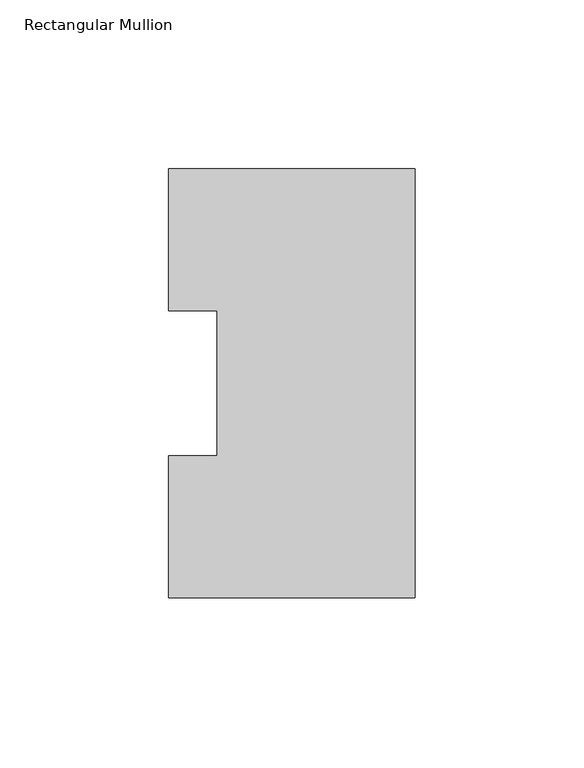
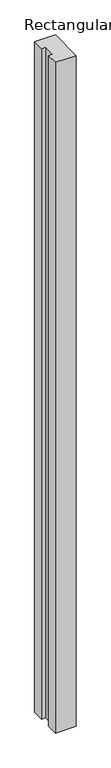
"""IFC4 building model written with IfcOpenShell, lengths in millimetres: member geometry, Rectangular Mullion."""

import ifcopenshell
import ifcopenshell.guid

model = None  # the IFC model being written
_history = None  # IfcOwnerHistory: only IFC2X3 demands one
_inside = {}  # id of a spatial element -> (the spatial element, [elements in it])
_under = {}  # id of a project, library or spatial element -> (it, [spatial elements below it])
_declared = {}  # id of a project -> (the project, [libraries it declares])
_typed = {}  # id of a type object -> (the type object, [elements of that type])
_made_of = {}  # id of a material, layer set ... -> (it, [elements and type objects made of it])


def new_model(schema):
    """Start an empty IFC model of exactly this schema.

    Asked for "IFC4X3", IfcOpenShell would pick the latest addendum, in which some entities
    have other attributes; the version numbers below select the first issue.
    IFC2X3 requires an IfcOwnerHistory on every rooted entity: one is made here for all.
    """
    global model, _history
    if schema == "IFC4X3":
        model = ifcopenshell.file(schema_version=(4, 3, 0, 0))
    else:
        model = ifcopenshell.file(schema=schema)
    _inside.clear()
    _under.clear()
    _declared.clear()
    _typed.clear()
    _made_of.clear()
    _history = None
    if model.schema == "IFC2X3":
        org = make("IfcOrganization", Name="unknown")
        user = make(
            "IfcPersonAndOrganization",
            ThePerson=make("IfcPerson", FamilyName="unknown"),
            TheOrganization=org,
        )
        app = make(
            "IfcApplication",
            ApplicationDeveloper=org,
            Version="unknown",
            ApplicationFullName="unknown",
            ApplicationIdentifier="unknown",
        )
        _history = make(
            "IfcOwnerHistory",
            OwningUser=user,
            OwningApplication=app,
            ChangeAction="ADDED",
            CreationDate=0,
        )
    return model


def make(cls, **values):
    """One entity of the class cls with the attributes given. An attribute that is None is left unset."""
    return model.create_entity(
        cls, **{name: value for name, value in values.items() if value is not None}
    )


def rooted(cls, **values):
    """An entity with a GlobalId (a new one), such as an element, a storey or a relation."""
    return make(cls, GlobalId=ifcopenshell.guid.new(), OwnerHistory=_history, **values)


def si_unit(unit_type, name, prefix=None):
    """IfcSIUnit, for example si_unit("LENGTHUNIT", "METRE", prefix="MILLI")."""
    return make("IfcSIUnit", UnitType=unit_type, Prefix=prefix, Name=name)


def assignment(units):
    """IfcUnitAssignment: the units of a project."""
    return None if units is None else make("IfcUnitAssignment", Units=units)


def point(xyz):
    """IfcCartesianPoint."""
    return None if xyz is None else make("IfcCartesianPoint", Coordinates=xyz)


def direction(xyz):
    """IfcDirection."""
    return None if xyz is None else make("IfcDirection", DirectionRatios=xyz)


def frame(location, z_axis=None, x_axis=None):
    """IfcAxis2Placement3D, a coordinate frame: its origin and axes. An axis left out is left unset."""
    return make(
        "IfcAxis2Placement3D",
        Location=point(location),
        Axis=direction(z_axis),
        RefDirection=direction(x_axis),
    )


def origin():
    """The frame at (0, 0, 0) with its axes left unset."""
    return frame((0.0, 0.0, 0.0))


def place(relative_to, where):
    """IfcLocalPlacement: puts the frame where relative to a parent placement (None: the world)."""
    return make(
        "IfcLocalPlacement", PlacementRelTo=relative_to, RelativePlacement=where
    )


def context(
    kind, dimensions, precision=None, world=None, true_north=None, identifier=None
):
    """IfcGeometricRepresentationContext, for example the 3D "Model" context."""
    return make(
        "IfcGeometricRepresentationContext",
        ContextIdentifier=identifier,
        ContextType=kind,
        CoordinateSpaceDimension=dimensions,
        Precision=precision,
        WorldCoordinateSystem=world,
        TrueNorth=true_north,
    )


def project(units=None, contexts=None):
    """IfcProject with its units and contexts."""
    return rooted(
        "IfcProject",
        Name="project",
        RepresentationContexts=contexts,
        UnitsInContext=assignment(units),
    )


def spatial(cls, under=None, at=None, **own):
    """A site, building, storey or space (cls), placed at a placement, below another one or the project."""
    s = rooted(cls, ObjectPlacement=at, **own)
    if under is not None:
        _under.setdefault(under.id(), (under, []))[1].append(s)
    return s


def polyline(points):
    """IfcPolyline through the points."""
    return make("IfcPolyline", Points=[point(p) for p in points])


def outline(outer, holes=None, kind="AREA"):
    """IfcArbitraryClosedProfileDef: a profile drawn as a closed curve; with holes, ...WithVoids."""
    if holes is None:
        return make("IfcArbitraryClosedProfileDef", ProfileType=kind, OuterCurve=outer)
    return make(
        "IfcArbitraryProfileDefWithVoids",
        ProfileType=kind,
        OuterCurve=outer,
        InnerCurves=holes,
    )


def extrude(swept, where, along, depth):
    """IfcExtrudedAreaSolid: the profile swept, set in the frame where, extruded along a direction by depth."""
    return make(
        "IfcExtrudedAreaSolid",
        SweptArea=swept,
        Position=where,
        ExtrudedDirection=direction(along),
        Depth=depth,
    )


def shape(context_of_items, identifier, shape_type, items):
    """IfcShapeRepresentation: the items that make up one representation, for example the "Body"."""
    return make(
        "IfcShapeRepresentation",
        ContextOfItems=context_of_items,
        RepresentationIdentifier=identifier,
        RepresentationType=shape_type,
        Items=items,
    )


def source(mapping_origin, context_of_items, identifier, shape_type, items):
    """IfcRepresentationMap: a shape defined once, which mapped items show again and again."""
    return make(
        "IfcRepresentationMap",
        MappingOrigin=mapping_origin,
        MappedRepresentation=shape(context_of_items, identifier, shape_type, items),
    )


def transform(
    local_origin,
    x_axis=None,
    y_axis=None,
    z_axis=None,
    scale=None,
    scale2=None,
    scale3=None,
    uniform=True,
):
    """IfcCartesianTransformationOperator3D, or its non-uniform kind. x_axis, y_axis, z_axis: its Axis1, 2, 3."""
    if uniform:
        return make(
            "IfcCartesianTransformationOperator3D",
            Axis1=direction(x_axis),
            Axis2=direction(y_axis),
            LocalOrigin=point(local_origin),
            Scale=scale,
            Axis3=direction(z_axis),
        )
    return make(
        "IfcCartesianTransformationOperator3DnonUniform",
        Axis1=direction(x_axis),
        Axis2=direction(y_axis),
        LocalOrigin=point(local_origin),
        Scale=scale,
        Axis3=direction(z_axis),
        Scale2=scale2,
        Scale3=scale3,
    )


def mapped(mapping_source, mapping_target):
    """IfcMappedItem: shows the shape of a source again, moved by a transform."""
    return make(
        "IfcMappedItem", MappingSource=mapping_source, MappingTarget=mapping_target
    )


def made_of(thing, what):
    """Note that an element or type object is made of a material, layer set ...; save() writes the relation."""
    if what is not None:
        _made_of.setdefault(what.id(), (what, []))[1].append(thing)
    return thing


def element(
    cls,
    number,
    at=None,
    inside=None,
    cuts=None,
    type_object=None,
    material=None,
    context=None,
    identifier="Body",
    shape_type=None,
    held_by="IfcProductDefinitionShape",
    body=None,
    shapes=None,
    **own,
):
    """One element of the class cls, such as IfcWall. Its Tag is "e" and its number.

    at: its placement. inside: the storey or other place that contains it. cuts: it is an
    opening in that element (IfcRelVoidsElement). A single representation is given by context,
    identifier, shape_type and body (its items); several are given by shapes. held_by: the class
    of the entity that holds the representations. save() writes the other relations.
    """
    e = rooted(cls, Tag="e%d" % number, ObjectPlacement=at, **own)
    if body is not None:
        shapes = [shape(context, identifier, shape_type, body)]
    if shapes is not None:
        e.Representation = make(held_by, Representations=shapes)
    if inside is not None:
        _inside.setdefault(inside.id(), (inside, []))[1].append(e)
    if cuts is not None:
        rooted(
            "IfcRelVoidsElement", RelatingBuildingElement=cuts, RelatedOpeningElement=e
        )
    if type_object is not None:
        _typed.setdefault(type_object.id(), (type_object, []))[1].append(e)
    return made_of(e, material)


def aggregate(whole, parts):
    """IfcRelAggregates: a whole, such as a stair, and the parts it consists of."""
    return rooted("IfcRelAggregates", RelatingObject=whole, RelatedObjects=parts)


def save(model, path):
    """Write the relations noted so far, then the file.

    IfcRelAggregates (storeys below a building ...), IfcRelContainedInSpatialStructure (elements
    in a storey), IfcRelDefinesByType, IfcRelAssociatesMaterial and IfcRelDeclares: one each for
    every whole, place, type object, material and project.
    """
    for whole, parts in _under.values():
        aggregate(whole, parts)
    for where, things in _inside.values():
        rooted(
            "IfcRelContainedInSpatialStructure",
            RelatedElements=things,
            RelatingStructure=where,
        )
    for kind, things in _typed.values():
        rooted("IfcRelDefinesByType", RelatedObjects=things, RelatingType=kind)
    for what, things in _made_of.values():
        rooted("IfcRelAssociatesMaterial", RelatedObjects=things, RelatingMaterial=what)
    for by, libraries in _declared.values():
        rooted("IfcRelDeclares", RelatingContext=by, RelatedDefinitions=libraries)
    model.write(path)


def rectangular_mullion_b400b08b(model_context):
    return source(origin(), model_context, "Body", "SweptSolid", [
        extrude(outline(polyline([(-73.025, 127.00635), (0.0, 127.00635), (0.0, 0.00635), (-73.025, 0.00635), (-73.025, 42.08145), (-58.725404, 42.08145), (-58.725404, 84.93125), (-73.025, 84.93125), (-73.025, 127.00635)])), frame((0.0, 0.0, -2501.9227299), z_axis=(0.0, 0.0, 1.0), x_axis=(1.0, 0.0, 0.0)), (0.0, 0.0, 1.0), 2501.9227299),
    ])


if __name__ == "__main__":
    model = new_model("IFC4")
    model_context = context("Model", 3, world=origin())
    ifc_project = project(units=[si_unit("LENGTHUNIT", "METRE", prefix="MILLI")], contexts=[model_context])
    site = spatial("IfcSite", under=ifc_project)
    building = spatial("IfcBuilding", under=site)
    placement = place(None, origin())
    rectangular_mullion_shape = rectangular_mullion_b400b08b(model_context)
    element("IfcMember", 1, ObjectType="Rectangular Mullion", at=placement, inside=building, context=model_context, shape_type="MappedRepresentation", body=[
        mapped(rectangular_mullion_shape, transform((0.0, 0.0, 0.0), x_axis=(1.0, 0.0, 0.0), y_axis=(0.0, 1.0, 0.0), z_axis=(0.0, 0.0, 1.0))),
    ])
    save(model, "model.ifc")
